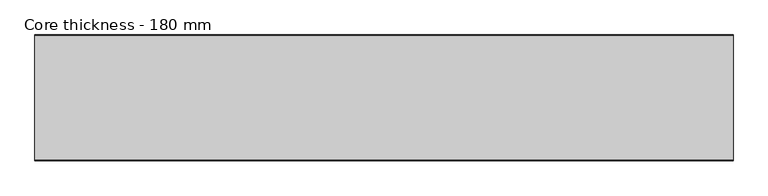
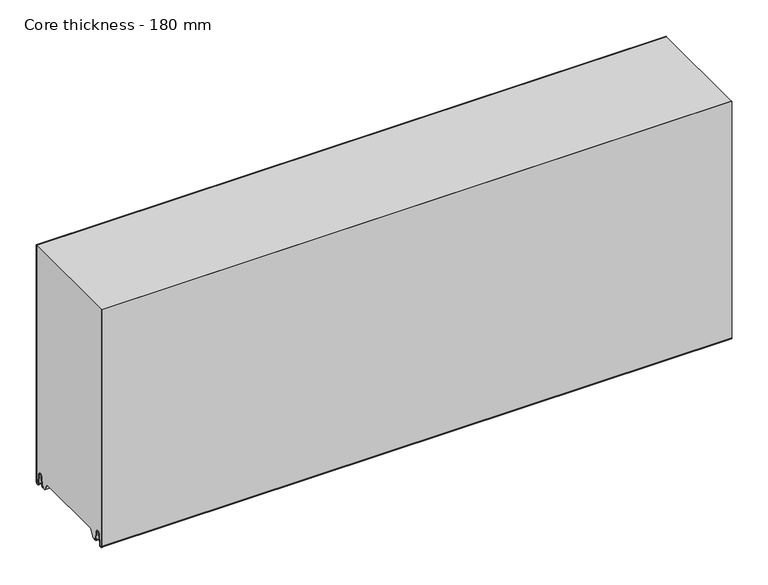
"""IFC4 building model written with IfcOpenShell, lengths in millimetres: plate geometry, Core thickness - 180 mm."""

from ifc_helpers import new_model, si_unit, frame, origin, place, context, project, spatial, polyline, circle_curve, source, transform, mapped, element, save
from ifc_brep_helpers import plane_surface, cylinder_surface, revolved_surface, advanced_brep


def core_thickness_180_mm_495e7021(model_context):
    return source(origin(), model_context, "Body", "AdvancedBrep", [
        advanced_brep(
        [(500.0000002, -179.9996949, 2.9900682), (500.0000002, -173.81449, 2.6875612), (500.0000002, -172.197116, 19.1828169), (500.0000002, -169.1776715, 21.8898782), (500.0000002, -166.1582271, 19.1828169), (500.0000002, -164.7725998, 5.0510966), (500.0000002, -160.3830995, 5.265779), (500.0000002, -161.1830995, 5.265779), (500.0000002, -163.9764178, 5.1291629), (500.0000002, -165.3620451, 19.2608832), (500.0000002, -169.1776715, 22.6899182), (500.0000002, -172.9932979, 19.2608832), (500.0000002, -174.6106719, 2.7656275), (500.0000002, -179.1996949, 2.9900682), (500.0000002, -179.2, 400.0), (500.0000002, -179.9996949, 400.0), (-500.0000002, -179.1996949, 2.9900682), (-500.0000002, -174.6106719, 2.7656275), (-500.0000002, -172.9932979, 19.2608832), (-500.0000002, -169.1776715, 22.6899182), (-500.0000002, -165.3620451, 19.2608832), (-500.0000002, -163.9764178, 5.1291629), (-500.0000002, -161.1830995, 5.265779), (-500.0000002, -160.3830995, 5.265779), (-500.0000002, -164.7725998, 5.0510966), (-500.0000002, -166.1582271, 19.1828169), (-500.0000002, -169.1776715, 21.8898782), (-500.0000002, -172.197116, 19.1828169), (-500.0000002, -173.81449, 2.6875612), (-500.0000002, -179.9996949, 2.9900682), (-500.0000002, -179.9996949, 400.0), (-500.0000002, -179.2, 400.0)],
        [
            (0, 1, circle_curve(frame((500.0000002, -176.8996949, 2.9900682), z_axis=(1.0, 0.0, 0.0), x_axis=(0.0, 0.0, -1.0)), 3.1)),
            (1, 2),
            (2, 3, circle_curve(frame((500.0000002, -169.2114338, 18.8900682), z_axis=(-1.0, 0.0, 0.0), x_axis=(0.0, 0.0, -1.0)), 3.0)),
            (3, 4, circle_curve(frame((500.0000002, -169.1439093, 18.8900682), z_axis=(-1.0, 0.0, 0.0), x_axis=(0.0, 0.0, -1.0)), 3.0)),
            (4, 5),
            (5, 6, circle_curve(frame((500.0000002, -162.5830995, 5.265779), z_axis=(1.0, 0.0, 0.0), x_axis=(0.0, 0.0, -1.0)), 2.2)),
            (6, 7),
            (7, 8, circle_curve(frame((500.0000002, -162.5830995, 5.265779), z_axis=(-1.0, 0.0, 0.0), x_axis=(0.0, 0.0, -1.0)), 1.4)),
            (8, 9),
            (9, 10, circle_curve(frame((500.0000002, -169.1439093, 18.8900682), z_axis=(1.0, 0.0, 0.0), x_axis=(0.0, 0.0, -1.0)), 3.8)),
            (10, 11, circle_curve(frame((500.0000002, -169.2114338, 18.8900682), z_axis=(1.0, 0.0, 0.0), x_axis=(0.0, 0.0, -1.0)), 3.8)),
            (11, 12),
            (12, 13, circle_curve(frame((500.0000002, -176.8996949, 2.9900682), z_axis=(-1.0, 0.0, 0.0), x_axis=(0.0, 0.0, -1.0)), 2.3)),
            (13, 14),
            (14, 15),
            (15, 0),
            (16, 17, circle_curve(frame((-500.0000002, -176.8996949, 2.9900682), z_axis=(1.0, 0.0, 0.0), x_axis=(0.0, 0.0, -1.0)), 2.3)),
            (17, 18),
            (18, 19, circle_curve(frame((-500.0000002, -169.2114338, 18.8900682), z_axis=(-1.0, 0.0, 0.0), x_axis=(0.0, 0.0, -1.0)), 3.8)),
            (19, 20, circle_curve(frame((-500.0000002, -169.1439093, 18.8900682), z_axis=(-1.0, 0.0, 0.0), x_axis=(0.0, 0.0, -1.0)), 3.8)),
            (20, 21),
            (21, 22, circle_curve(frame((-500.0000002, -162.5830995, 5.265779), z_axis=(1.0, 0.0, 0.0), x_axis=(0.0, 0.0, -1.0)), 1.4)),
            (22, 23),
            (23, 24, circle_curve(frame((-500.0000002, -162.5830995, 5.265779), z_axis=(-1.0, 0.0, 0.0), x_axis=(0.0, 0.0, -1.0)), 2.2)),
            (24, 25),
            (25, 26, circle_curve(frame((-500.0000002, -169.1439093, 18.8900682), z_axis=(1.0, 0.0, 0.0), x_axis=(0.0, 0.0, -1.0)), 3.0)),
            (26, 27, circle_curve(frame((-500.0000002, -169.2114338, 18.8900682), z_axis=(1.0, 0.0, 0.0), x_axis=(0.0, 0.0, -1.0)), 3.0)),
            (27, 28),
            (28, 29, circle_curve(frame((-500.0000002, -176.8996949, 2.9900682), z_axis=(-1.0, 0.0, 0.0), x_axis=(0.0, 0.0, -1.0)), 3.1)),
            (29, 30),
            (30, 31),
            (31, 16),
            (13, 16),
            (31, 14),
            (29, 0),
            (15, 30),
            (12, 17),
            (11, 18),
            (10, 19),
            (9, 20),
            (8, 21),
            (7, 22),
            (6, 23),
            (5, 24),
            (4, 25),
            (3, 26),
            (2, 27),
            (1, 28),
        ],
        [
            plane_surface(frame((500.0000002, -180.0, 0.0), z_axis=(1.0, 0.0, 0.0), x_axis=(0.0, 1.0, 0.0))),
            plane_surface(frame((-500.0000002, -180.0, 0.0), z_axis=(-1.0, 0.0, 0.0), x_axis=(0.0, 1.0, 0.0))),
            plane_surface(frame((500.0000002, -179.2, 2.9900682), z_axis=(0.0, 1.0, 0.0), x_axis=(-1.0, 0.0, 0.0))),
            plane_surface(frame((500.0000002, -179.9996949, 1093.8000005), z_axis=(0.0, -1.0, 0.0), x_axis=(-1.0, 0.0, 0.0))),
            revolved_surface(polyline([(-500.0000002, -176.8996949, 0.6900682000000002), (500.0000002, -176.8996949, 0.6900682000000002)]), (500.0000002, -176.8996949, 2.9900682), (-1.0, 0.0, 0.0)),
            plane_surface(frame((500.0000002, -172.9932979, 19.2608832), z_axis=(0.0, -0.9952273999818314, 0.09758289975914787), x_axis=(-1.0, 0.0, 0.0))),
            cylinder_surface(frame((500.0000002, -169.2114338, 18.8900682), z_axis=(1.0, 0.0, 0.0), x_axis=(0.0, 0.0, -1.0)), 3.8),
            cylinder_surface(frame((500.0000002, -169.1439093, 18.8900682), z_axis=(1.0, 0.0, 0.0), x_axis=(0.0, 0.0, -1.0)), 3.8),
            plane_surface(frame((500.0000002, -163.9764178, 5.1291629), z_axis=(0.0, 0.9952273999818297, 0.09758289975916531), x_axis=(-1.0, 0.0, 0.0))),
            revolved_surface(polyline([(-500.0000002, -162.5830995, 3.8657790000000003), (500.0000002, -162.5830995, 3.8657790000000003)]), (500.0000002, -162.5830995, 5.265779), (-1.0, 0.0, 0.0)),
            plane_surface(frame((500.0000002, -160.3830995, 5.265779), z_axis=(0.0, 0.0, 1.0), x_axis=(-1.0, 0.0, 0.0))),
            cylinder_surface(frame((500.0000002, -162.5830995, 5.265779), z_axis=(1.0, 0.0, 0.0), x_axis=(0.0, 0.0, -1.0)), 2.2),
            plane_surface(frame((500.0000002, -166.1582271, 19.1828169), z_axis=(0.0, -0.9952273999818296, -0.09758289975916527), x_axis=(-1.0, 0.0, 0.0))),
            revolved_surface(polyline([(-500.0000002, -169.1439093, 15.890068200000002), (500.0000002, -169.1439093, 15.890068200000002)]), (500.0000002, -169.1439093, 18.8900682), (-1.0, 0.0, 0.0)),
            revolved_surface(polyline([(-500.0000002, -169.2114338, 15.890068200000002), (500.0000002, -169.2114338, 15.890068200000002)]), (500.0000002, -169.2114338, 18.8900682), (-1.0, 0.0, 0.0)),
            plane_surface(frame((500.0000002, -173.81449, 2.6875612), z_axis=(0.0, 0.9952273999818314, -0.09758289975914787), x_axis=(-1.0, 0.0, 0.0))),
            cylinder_surface(frame((500.0000002, -176.8996949, 2.9900682), z_axis=(1.0, 0.0, 0.0), x_axis=(0.0, 0.0, -1.0)), 3.1),
            plane_surface(frame((-500.0000002, 134.0533409, 400.0), z_axis=(0.0, 0.0, 1.0), x_axis=(1.0, 0.0, 0.0))),
        ],
        [
            (0, [[1, 2, 3, 4, 5, 6, 7, 8, 9, 10, 11, 12, 13, 14, 15, 16]]),
            (1, [[17, 18, 19, 20, 21, 22, 23, 24, 25, 26, 27, 28, 29, 30, 31, 32]]),
            (2, [[33, -32, 34, -14]]),
            (3, [[35, -16, 36, -30]]),
            (4, [[-13, 37, -17, -33]]),
            (5, [[-12, 38, -18, -37]]),
            (6, [[-11, 39, -19, -38]]),
            (7, [[-10, 40, -20, -39]]),
            (8, [[-9, 41, -21, -40]]),
            (9, [[-8, 42, -22, -41]]),
            (10, [[-7, 43, -23, -42]]),
            (11, [[-6, 44, -24, -43]]),
            (12, [[-5, 45, -25, -44]]),
            (13, [[-4, 46, -26, -45]]),
            (14, [[-3, 47, -27, -46]]),
            (15, [[-2, 48, -28, -47]]),
            (16, [[-1, -35, -29, -48]]),
            (17, [[-15, -34, -31, -36]]),
        ],
    ),
        advanced_brep(
        [(500.0000002, -0.8003051, 2.9900682), (500.0000002, -5.3893281, 2.7656275), (500.0000002, -7.0067021, 19.2608832), (500.0000002, -10.8223285, 22.6899182), (500.0000002, -14.6379549, 19.2608832), (500.0000002, -16.0235822, 5.1291629), (500.0000002, -18.8169005, 5.265779), (500.0000002, -19.6169005, 5.265779), (500.0000002, -15.2274002, 5.0510966), (500.0000002, -13.8417729, 19.1828169), (500.0000002, -10.8223285, 21.8898782), (500.0000002, -7.802884, 19.1828169), (500.0000002, -6.18551, 2.6875612), (500.0000002, -0.0003051, 2.9900682), (500.0000002, -0.0003051, 400.0), (500.0000002, -0.8, 400.0), (-500.0000002, -0.0003051, 2.9900682), (-500.0000002, -6.18551, 2.6875612), (-500.0000002, -7.802884, 19.1828169), (-500.0000002, -10.8223285, 21.8898782), (-500.0000002, -13.8417729, 19.1828169), (-500.0000002, -15.2274002, 5.0510966), (-500.0000002, -19.6169005, 5.265779), (-500.0000002, -18.8169005, 5.265779), (-500.0000002, -16.0235822, 5.1291629), (-500.0000002, -14.6379549, 19.2608832), (-500.0000002, -10.8223285, 22.6899182), (-500.0000002, -7.0067021, 19.2608832), (-500.0000002, -5.3893281, 2.7656275), (-500.0000002, -0.8003051, 2.9900682), (-500.0000002, -0.8, 400.0), (-500.0000002, -0.0003051, 400.0)],
        [
            (0, 1, circle_curve(frame((500.0000002, -3.1003051, 2.9900682), z_axis=(-1.0, 0.0, 0.0), x_axis=(0.0, 0.0, -1.0)), 2.3)),
            (1, 2),
            (2, 3, circle_curve(frame((500.0000002, -10.7885662, 18.8900682), z_axis=(1.0, 0.0, 0.0), x_axis=(0.0, 0.0, -1.0)), 3.8)),
            (3, 4, circle_curve(frame((500.0000002, -10.8560907, 18.8900682), z_axis=(1.0, 0.0, 0.0), x_axis=(0.0, 0.0, -1.0)), 3.8)),
            (4, 5),
            (5, 6, circle_curve(frame((500.0000002, -17.4169005, 5.265779), z_axis=(-1.0, 0.0, 0.0), x_axis=(0.0, 0.0, -1.0)), 1.4)),
            (6, 7),
            (7, 8, circle_curve(frame((500.0000002, -17.4169005, 5.265779), z_axis=(1.0, 0.0, 0.0), x_axis=(0.0, 0.0, -1.0)), 2.2)),
            (8, 9),
            (9, 10, circle_curve(frame((500.0000002, -10.8560907, 18.8900682), z_axis=(-1.0, 0.0, 0.0), x_axis=(0.0, 0.0, -1.0)), 3.0)),
            (10, 11, circle_curve(frame((500.0000002, -10.7885662, 18.8900682), z_axis=(-1.0, 0.0, 0.0), x_axis=(0.0, 0.0, -1.0)), 3.0)),
            (11, 12),
            (12, 13, circle_curve(frame((500.0000002, -3.1003051, 2.9900682), z_axis=(1.0, 0.0, 0.0), x_axis=(0.0, 0.0, -1.0)), 3.1)),
            (13, 14),
            (14, 15),
            (15, 0),
            (16, 17, circle_curve(frame((-500.0000002, -3.1003051, 2.9900682), z_axis=(-1.0, 0.0, 0.0), x_axis=(0.0, 0.0, -1.0)), 3.1)),
            (17, 18),
            (18, 19, circle_curve(frame((-500.0000002, -10.7885662, 18.8900682), z_axis=(1.0, 0.0, 0.0), x_axis=(0.0, 0.0, -1.0)), 3.0)),
            (19, 20, circle_curve(frame((-500.0000002, -10.8560907, 18.8900682), z_axis=(1.0, 0.0, 0.0), x_axis=(0.0, 0.0, -1.0)), 3.0)),
            (20, 21),
            (21, 22, circle_curve(frame((-500.0000002, -17.4169005, 5.265779), z_axis=(-1.0, 0.0, 0.0), x_axis=(0.0, 0.0, -1.0)), 2.2)),
            (22, 23),
            (23, 24, circle_curve(frame((-500.0000002, -17.4169005, 5.265779), z_axis=(1.0, 0.0, 0.0), x_axis=(0.0, 0.0, -1.0)), 1.4)),
            (24, 25),
            (25, 26, circle_curve(frame((-500.0000002, -10.8560907, 18.8900682), z_axis=(-1.0, 0.0, 0.0), x_axis=(0.0, 0.0, -1.0)), 3.8)),
            (26, 27, circle_curve(frame((-500.0000002, -10.7885662, 18.8900682), z_axis=(-1.0, 0.0, 0.0), x_axis=(0.0, 0.0, -1.0)), 3.8)),
            (27, 28),
            (28, 29, circle_curve(frame((-500.0000002, -3.1003051, 2.9900682), z_axis=(1.0, 0.0, 0.0), x_axis=(0.0, 0.0, -1.0)), 2.3)),
            (29, 30),
            (30, 31),
            (31, 16),
            (13, 16),
            (31, 14),
            (29, 0),
            (15, 30),
            (12, 17),
            (11, 18),
            (10, 19),
            (9, 20),
            (8, 21),
            (7, 22),
            (6, 23),
            (5, 24),
            (4, 25),
            (3, 26),
            (2, 27),
            (1, 28),
        ],
        [
            plane_surface(frame((500.0000002, 0.0, 0.0), z_axis=(1.0, 0.0, 0.0), x_axis=(0.0, -1.0, 0.0))),
            plane_surface(frame((-500.0000002, 0.0, 0.0), z_axis=(-1.0, 0.0, 0.0), x_axis=(0.0, -1.0, 0.0))),
            plane_surface(frame((500.0000002, -0.0003051, 2.9900682), z_axis=(0.0, 1.0, 0.0), x_axis=(-1.0, 0.0, 0.0))),
            plane_surface(frame((500.0000002, -0.8, 1093.8000005), z_axis=(0.0, -1.0, 0.0), x_axis=(-1.0, 0.0, 0.0))),
            cylinder_surface(frame((500.0000002, -3.1003051, 2.9900682), z_axis=(1.0, 0.0, 0.0), x_axis=(0.0, 0.0, -1.0)), 3.1),
            plane_surface(frame((500.0000002, -7.802884, 19.1828169), z_axis=(0.0, -0.9952273999818314, -0.09758289975914787), x_axis=(-1.0, 0.0, 0.0))),
            revolved_surface(polyline([(-500.0000002, -10.7885662, 15.890068200000002), (500.0000002, -10.7885662, 15.890068200000002)]), (500.0000002, -10.7885662, 18.8900682), (-1.0, 0.0, 0.0)),
            revolved_surface(polyline([(-500.0000002, -10.8560907, 15.890068200000002), (500.0000002, -10.8560907, 15.890068200000002)]), (500.0000002, -10.8560907, 18.8900682), (-1.0, 0.0, 0.0)),
            plane_surface(frame((500.0000002, -15.2274002, 5.0510966), z_axis=(0.0, 0.9952273999818296, -0.09758289975916527), x_axis=(-1.0, 0.0, 0.0))),
            cylinder_surface(frame((500.0000002, -17.4169005, 5.265779), z_axis=(1.0, 0.0, 0.0), x_axis=(0.0, 0.0, -1.0)), 2.2),
            plane_surface(frame((500.0000002, -18.8169005, 5.265779), z_axis=(0.0, 0.0, 1.0), x_axis=(-1.0, 0.0, 0.0))),
            revolved_surface(polyline([(-500.0000002, -17.4169005, 3.8657790000000003), (500.0000002, -17.4169005, 3.8657790000000003)]), (500.0000002, -17.4169005, 5.265779), (-1.0, 0.0, 0.0)),
            plane_surface(frame((500.0000002, -14.6379549, 19.2608832), z_axis=(0.0, -0.9952273999818297, 0.09758289975916531), x_axis=(-1.0, 0.0, 0.0))),
            cylinder_surface(frame((500.0000002, -10.8560907, 18.8900682), z_axis=(1.0, 0.0, 0.0), x_axis=(0.0, 0.0, -1.0)), 3.8),
            cylinder_surface(frame((500.0000002, -10.7885662, 18.8900682), z_axis=(1.0, 0.0, 0.0), x_axis=(0.0, 0.0, -1.0)), 3.8),
            plane_surface(frame((500.0000002, -5.3893281, 2.7656275), z_axis=(0.0, 0.9952273999818314, 0.09758289975914787), x_axis=(-1.0, 0.0, 0.0))),
            revolved_surface(polyline([(-500.0000002, -3.1003051, 0.6900682000000002), (500.0000002, -3.1003051, 0.6900682000000002)]), (500.0000002, -3.1003051, 2.9900682), (-1.0, 0.0, 0.0)),
            plane_surface(frame((-500.0000002, 134.0533409, 400.0), z_axis=(0.0, 0.0, 1.0), x_axis=(1.0, 0.0, 0.0))),
        ],
        [
            (0, [[1, 2, 3, 4, 5, 6, 7, 8, 9, 10, 11, 12, 13, 14, 15, 16]]),
            (1, [[17, 18, 19, 20, 21, 22, 23, 24, 25, 26, 27, 28, 29, 30, 31, 32]]),
            (2, [[33, -32, 34, -14]]),
            (3, [[35, -16, 36, -30]]),
            (4, [[-13, 37, -17, -33]]),
            (5, [[-12, 38, -18, -37]]),
            (6, [[-11, 39, -19, -38]]),
            (7, [[-10, 40, -20, -39]]),
            (8, [[-9, 41, -21, -40]]),
            (9, [[-8, 42, -22, -41]]),
            (10, [[-7, 43, -23, -42]]),
            (11, [[-6, 44, -24, -43]]),
            (12, [[-5, 45, -25, -44]]),
            (13, [[-4, 46, -26, -45]]),
            (14, [[-3, 47, -27, -46]]),
            (15, [[-2, 48, -28, -47]]),
            (16, [[-1, -35, -29, -48]]),
            (17, [[-15, -34, -31, -36]]),
        ],
    ),
        advanced_brep(
        [(500.0000002, -149.873448, 15.0417681), (500.0000002, -30.126552, 15.0417681), (500.0000002, -23.4086055, 3.0684055), (500.0000002, -17.4169005, 3.0684055), (500.0000002, -19.6169005, 5.265779), (500.0000002, -18.8169005, 5.265779), (500.0000002, -16.0235822, 5.1291629), (500.0000002, -14.6379549, 19.2608832), (500.0000002, -10.8223285, 22.6899182), (500.0000002, -7.0067021, 19.2608832), (500.0000002, -5.3893281, 2.7656275), (500.0000002, -0.8003051, 2.9900682), (500.0000002, -0.8, 400.0), (500.0000002, -179.2, 400.0), (500.0000002, -179.2, 2.9900682), (500.0000002, -174.6106719, 2.7656275), (500.0000002, -172.9932979, 19.2608832), (500.0000002, -169.1776715, 22.6899182), (500.0000002, -165.3620451, 19.2608832), (500.0000002, -163.9764178, 5.1291629), (500.0000002, -161.1830995, 5.265779), (500.0000002, -160.3830995, 5.265779), (500.0000002, -162.5830995, 3.065779), (500.0000002, -156.5913945, 3.0684055), (-500.0000002, -30.126552, 15.0417681), (-500.0000002, -149.873448, 15.0417681), (-500.0000002, -156.5913945, 3.0684055), (-500.0000002, -162.5830995, 3.0684055), (-500.0000002, -160.3830995, 5.265779), (-500.0000002, -161.1830995, 5.265779), (-500.0000002, -163.9764178, 5.1291629), (-500.0000002, -165.3620451, 19.2608832), (-500.0000002, -169.1776715, 22.6899182), (-500.0000002, -172.9932979, 19.2608832), (-500.0000002, -174.6106719, 2.7656275), (-500.0000002, -179.1996949, 2.9900682), (-500.0000002, -179.2, 400.0), (-500.0000002, -0.8, 400.0), (-500.0000002, -0.8, 2.9900682), (-500.0000002, -5.3893281, 2.7656275), (-500.0000002, -7.0067021, 19.2608832), (-500.0000002, -10.8223285, 22.6899182), (-500.0000002, -14.6379549, 19.2608832), (-500.0000002, -16.0235822, 5.1291629), (-500.0000002, -18.8169005, 5.265779), (-500.0000002, -19.6169005, 5.265779), (-500.0000002, -17.4169005, 3.065779), (-500.0000002, -23.4086055, 3.0684055)],
        [
            (0, 1),
            (1, 2),
            (2, 3),
            (3, 4, circle_curve(frame((500.0000002, -17.4169005, 5.265779), z_axis=(-1.0, 0.0, 0.0), x_axis=(0.0, 0.0, -1.0)), 2.2)),
            (4, 5),
            (5, 6, circle_curve(frame((500.0000002, -17.4169005, 5.265779), z_axis=(1.0, 0.0, 0.0), x_axis=(0.0, 0.0, -1.0)), 1.4)),
            (6, 7),
            (7, 8, circle_curve(frame((500.0000002, -10.8560907, 18.8900682), z_axis=(-1.0, 0.0, 0.0), x_axis=(0.0, 0.0, -1.0)), 3.8)),
            (8, 9, circle_curve(frame((500.0000002, -10.7885662, 18.8900682), z_axis=(-1.0, 0.0, 0.0), x_axis=(0.0, 0.0, -1.0)), 3.8)),
            (9, 10),
            (10, 11, circle_curve(frame((500.0000002, -3.1003051, 2.9900682), z_axis=(1.0, 0.0, 0.0), x_axis=(0.0, 0.0, -1.0)), 2.3)),
            (11, 12),
            (12, 13),
            (13, 14),
            (14, 15, circle_curve(frame((500.0000002, -176.8996949, 2.9900682), z_axis=(1.0, 0.0, 0.0), x_axis=(0.0, 0.0, -1.0)), 2.3)),
            (15, 16),
            (16, 17, circle_curve(frame((500.0000002, -169.2114338, 18.8900682), z_axis=(-1.0, 0.0, 0.0), x_axis=(0.0, 0.0, -1.0)), 3.8)),
            (17, 18, circle_curve(frame((500.0000002, -169.1439093, 18.8900682), z_axis=(-1.0, 0.0, 0.0), x_axis=(0.0, 0.0, -1.0)), 3.8)),
            (18, 19),
            (19, 20, circle_curve(frame((500.0000002, -162.5830995, 5.265779), z_axis=(1.0, 0.0, 0.0), x_axis=(0.0, 0.0, -1.0)), 1.4)),
            (20, 21),
            (21, 22, circle_curve(frame((500.0000002, -162.5830995, 5.265779), z_axis=(-1.0, 0.0, 0.0), x_axis=(0.0, 0.0, -1.0)), 2.2)),
            (22, 23),
            (23, 0),
            (24, 25),
            (25, 26),
            (26, 27),
            (27, 28, circle_curve(frame((-500.0000002, -162.5830995, 5.265779), z_axis=(1.0, 0.0, 0.0), x_axis=(0.0, 0.0, -1.0)), 2.2)),
            (28, 29),
            (29, 30, circle_curve(frame((-500.0000002, -162.5830995, 5.265779), z_axis=(-1.0, 0.0, 0.0), x_axis=(0.0, 0.0, -1.0)), 1.4)),
            (30, 31),
            (31, 32, circle_curve(frame((-500.0000002, -169.1439093, 18.8900682), z_axis=(1.0, 0.0, 0.0), x_axis=(0.0, 0.0, -1.0)), 3.8)),
            (32, 33, circle_curve(frame((-500.0000002, -169.2114338, 18.8900682), z_axis=(1.0, 0.0, 0.0), x_axis=(0.0, 0.0, -1.0)), 3.8)),
            (33, 34),
            (34, 35, circle_curve(frame((-500.0000002, -176.8996949, 2.9900682), z_axis=(-1.0, 0.0, 0.0), x_axis=(0.0, 0.0, -1.0)), 2.3)),
            (35, 36),
            (36, 37),
            (37, 38),
            (38, 39, circle_curve(frame((-500.0000002, -3.1003051, 2.9900682), z_axis=(-1.0, 0.0, 0.0), x_axis=(0.0, 0.0, -1.0)), 2.3)),
            (39, 40),
            (40, 41, circle_curve(frame((-500.0000002, -10.7885662, 18.8900682), z_axis=(1.0, 0.0, 0.0), x_axis=(0.0, 0.0, -1.0)), 3.8)),
            (41, 42, circle_curve(frame((-500.0000002, -10.8560907, 18.8900682), z_axis=(1.0, 0.0, 0.0), x_axis=(0.0, 0.0, -1.0)), 3.8)),
            (42, 43),
            (43, 44, circle_curve(frame((-500.0000002, -17.4169005, 5.265779), z_axis=(-1.0, 0.0, 0.0), x_axis=(0.0, 0.0, -1.0)), 1.4)),
            (44, 45),
            (45, 46, circle_curve(frame((-500.0000002, -17.4169005, 5.265779), z_axis=(1.0, 0.0, 0.0), x_axis=(0.0, 0.0, -1.0)), 2.2)),
            (46, 47),
            (47, 24),
            (1, 24),
            (47, 2),
            (0, 25),
            (23, 26),
            (46, 3),
            (22, 27),
            (35, 14),
            (13, 36),
            (34, 15),
            (33, 16),
            (32, 17),
            (31, 18),
            (30, 19),
            (29, 20),
            (28, 21),
            (12, 37),
            (11, 38),
            (45, 4),
            (44, 5),
            (43, 6),
            (42, 7),
            (41, 8),
            (40, 9),
            (39, 10),
        ],
        [
            plane_surface(frame((500.0000002, 0.0, 0.0), z_axis=(1.0, 0.0, 0.0), x_axis=(0.0, -1.0, 0.0))),
            plane_surface(frame((-500.0000002, 0.0, 0.0), z_axis=(-1.0, 0.0, 0.0), x_axis=(0.0, -1.0, 0.0))),
            plane_surface(frame((500.0000002, -30.126552, 15.0417681), z_axis=(0.0, -0.8721062992196836, -0.4893164649399687), x_axis=(-1.0, 0.0, 0.0))),
            plane_surface(frame((500.0000002, -149.873448, 15.0417681), z_axis=(0.0, 0.0, -1.0), x_axis=(-1.0, 0.0, 0.0))),
            plane_surface(frame((500.0000002, -156.8190247, 2.6627014), z_axis=(0.0, 0.8721062992196852, -0.48931646493996606), x_axis=(-1.0, 0.0, 0.0))),
            plane_surface(frame((-500.0000002, -162.5830995, 3.0684055), z_axis=(0.0, 0.0, -1.0), x_axis=(1.0, 0.0, 0.0))),
            plane_surface(frame((630.0000002, -179.2, 2.9900682), z_axis=(0.0, -1.0, 0.0), x_axis=(-1.0, 0.0, 0.0))),
            cylinder_surface(frame((630.0000002, -176.8996949, 2.9900682), z_axis=(-1.0, 0.0, 0.0), x_axis=(0.0, 0.0, -1.0)), 2.3),
            plane_surface(frame((630.0000002, -172.9932979, 19.2608832), z_axis=(0.0, 0.9952273999818314, -0.09758289975914787), x_axis=(-1.0, 0.0, 0.0))),
            revolved_surface(polyline([(500.0000002, -169.2114338, 15.090068200000001), (-500.00000020000004, -169.2114338, 15.090068200000001)]), (630.0000002, -169.2114338, 18.8900682), (1.0, 0.0, 0.0)),
            revolved_surface(polyline([(500.0000002, -169.1439093, 15.090068200000001), (-500.00000020000004, -169.1439093, 15.090068200000001)]), (630.0000002, -169.1439093, 18.8900682), (1.0, 0.0, 0.0)),
            plane_surface(frame((630.0000002, -163.9764178, 5.1291629), z_axis=(0.0, -0.9952273999818297, -0.09758289975916531), x_axis=(-1.0, 0.0, 0.0))),
            cylinder_surface(frame((630.0000002, -162.5830995, 5.265779), z_axis=(-1.0, 0.0, 0.0), x_axis=(0.0, 0.0, -1.0)), 1.4),
            plane_surface(frame((630.0000002, -160.3830995, 5.265779), z_axis=(0.0, 0.0, -1.0), x_axis=(-1.0, 0.0, 0.0))),
            revolved_surface(polyline([(500.0000002, -162.5830995, 3.065779), (-500.00000020000004, -162.5830995, 3.065779)]), (630.0000002, -162.5830995, 5.265779), (1.0, 0.0, 0.0)),
            plane_surface(frame((-500.0000002, 134.0533409, 400.0), z_axis=(0.0, 0.0, 1.0), x_axis=(1.0, 0.0, 0.0))),
            plane_surface(frame((630.0000002, -0.8, 1093.8000005), z_axis=(0.0, 1.0, 0.0), x_axis=(-1.0, 0.0, 0.0))),
            revolved_surface(polyline([(500.0000002, -17.4169005, 3.065779), (-500.00000020000004, -17.4169005, 3.065779)]), (630.0000002, -17.4169005, 5.265779), (1.0, 0.0, 0.0)),
            plane_surface(frame((630.0000002, -18.8169005, 5.265779), z_axis=(0.0, 0.0, -1.0), x_axis=(-1.0, 0.0, 0.0))),
            cylinder_surface(frame((630.0000002, -17.4169005, 5.265779), z_axis=(-1.0, 0.0, 0.0), x_axis=(0.0, 0.0, -1.0)), 1.4),
            plane_surface(frame((630.0000002, -14.6379549, 19.2608832), z_axis=(0.0, 0.9952273999818297, -0.09758289975916531), x_axis=(-1.0, 0.0, 0.0))),
            revolved_surface(polyline([(500.0000002, -10.8560907, 15.090068200000001), (-500.00000020000004, -10.8560907, 15.090068200000001)]), (630.0000002, -10.8560907, 18.8900682), (1.0, 0.0, 0.0)),
            revolved_surface(polyline([(500.0000002, -10.7885662, 15.090068200000001), (-500.00000020000004, -10.7885662, 15.090068200000001)]), (630.0000002, -10.7885662, 18.8900682), (1.0, 0.0, 0.0)),
            plane_surface(frame((630.0000002, -5.3893281, 2.7656275), z_axis=(0.0, -0.9952273999818314, -0.09758289975914787), x_axis=(-1.0, 0.0, 0.0))),
            cylinder_surface(frame((630.0000002, -3.1003051, 2.9900682), z_axis=(-1.0, 0.0, 0.0), x_axis=(0.0, 0.0, -1.0)), 2.3),
        ],
        [
            (0, [[1, 2, 3, 4, 5, 6, 7, 8, 9, 10, 11, 12, 13, 14, 15, 16, 17, 18, 19, 20, 21, 22, 23, 24]]),
            (1, [[25, 26, 27, 28, 29, 30, 31, 32, 33, 34, 35, 36, 37, 38, 39, 40, 41, 42, 43, 44, 45, 46, 47, 48]]),
            (2, [[49, -48, 50, -2]]),
            (3, [[-1, 51, -25, -49]]),
            (4, [[-51, -24, 52, -26]]),
            (5, [[-3, -50, -47, 53]]),
            (5, [[-23, 54, -27, -52]]),
            (6, [[55, -14, 56, -36]]),
            (7, [[-55, -35, 57, -15]]),
            (8, [[-57, -34, 58, -16]]),
            (9, [[-58, -33, 59, -17]]),
            (10, [[-59, -32, 60, -18]]),
            (11, [[-60, -31, 61, -19]]),
            (12, [[-61, -30, 62, -20]]),
            (13, [[-62, -29, 63, -21]]),
            (14, [[-63, -28, -54, -22]]),
            (15, [[64, -37, -56, -13]]),
            (16, [[65, -38, -64, -12]]),
            (17, [[66, -4, -53, -46]]),
            (18, [[-66, -45, 67, -5]]),
            (19, [[-67, -44, 68, -6]]),
            (20, [[-68, -43, 69, -7]]),
            (21, [[-69, -42, 70, -8]]),
            (22, [[-70, -41, 71, -9]]),
            (23, [[-71, -40, 72, -10]]),
            (24, [[-72, -39, -65, -11]]),
        ],
    ),
    ])


if __name__ == "__main__":
    model = new_model("IFC4")
    model_context = context("Model", 3, world=origin())
    ifc_project = project(units=[si_unit("LENGTHUNIT", "METRE", prefix="MILLI")], contexts=[model_context])
    site = spatial("IfcSite", under=ifc_project)
    building = spatial("IfcBuilding", under=site)
    placement = place(None, origin())
    core_thickness_180_mm_shape = core_thickness_180_mm_495e7021(model_context)
    element("IfcPlate", 1, ObjectType="Core thickness - 180 mm", at=placement, inside=building, context=model_context, shape_type="MappedRepresentation", body=[
        mapped(core_thickness_180_mm_shape, transform((0.0, 0.0, 0.0), x_axis=(1.0, 0.0, 0.0), y_axis=(0.0, 1.0, 0.0), z_axis=(0.0, 0.0, 1.0))),
    ])
    save(model, "model.ifc")
